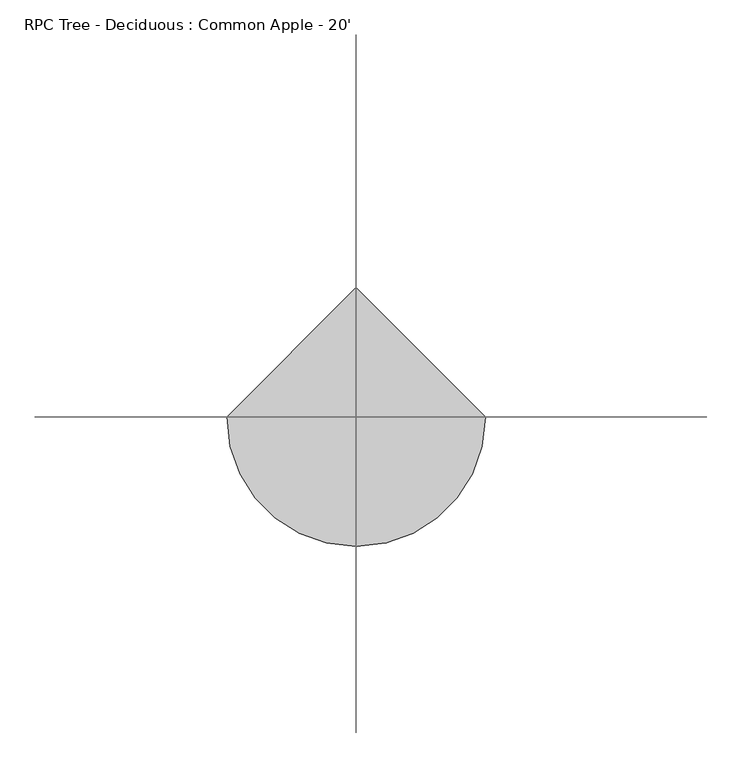
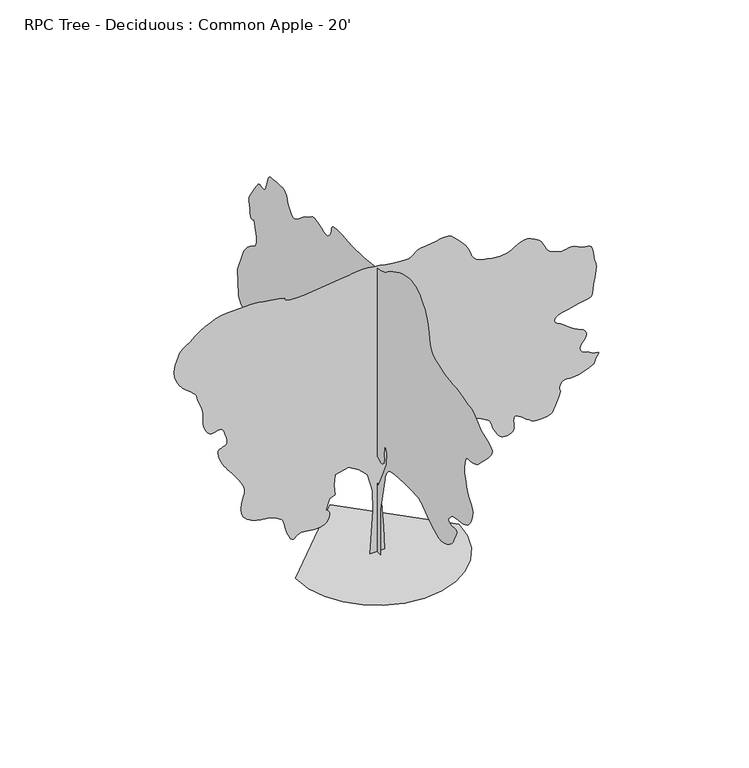
"""IFC4 building model written with IfcOpenShell, lengths in millimetres: geographic element geometry, RPC Tree - Deciduous : Common Apple - 20'."""

from ifc_helpers import new_model, si_unit, origin, place, context, project, spatial, triangles, source, transform, mapped, element, save


def rpc_tree_deciduous_common_apple_20_2cf08d23(model_context):
    return source(origin(), model_context, "Body", "Tessellation", [
        triangles([(-6.61e-05, -106.7031981, 0.0075972), (-6.25e-05, 141.1357166, 0.0075898), (-4.92e-05, 101.4814601, 465.9455781), (-3.19e-05, 131.2220957, 1031.0173004), (-1.83e-05, 230.3576144, 1437.4734501), (-8.7e-06, 398.8869896, 1675.3980263), (-1.1e-06, 587.2459139, 1834.016106), (2.7e-06, 765.6887283, 1873.6680462), (3.6e-06, 963.961219, 1804.2751888), (1.5e-06, 1023.4430534, 1705.1389435), (-4.1e-06, 904.4794573, 1576.2617809), (-8.5e-06, 944.1340136, 1407.7326782), (-1.46e-05, 1172.144878, 1090.4990622), (-1.49e-05, 1568.687534, 882.3128597), (-8.7e-06, 2143.6727863, 803.006436), (7.7e-06, 2490.6473923, 1179.7191977), (2.57e-05, 2847.5453751, 1606.0026981), (3.25e-05, 3402.6882339, 1556.4345028), (3.9e-05, 3600.9610153, 1675.3980263), (4.6e-05, 3591.0549339, 1913.3226025), (4.57e-05, 3412.6196045, 1992.6315697), (5.03e-05, 3283.7399712, 2210.7288677), (5.51e-05, 3591.0549339, 2220.6425068), (6.07e-05, 4205.6845688, 2101.6814541), (6.29e-05, 4275.3567696, 2137.8384041), (6.49e-05, 4342.3114037, 2174.2544952), (6.7e-05, 4403.9061905, 2211.1911942), (6.89e-05, 4457.4241447, 2248.9101128), (7.07e-05, 4500.1976967, 2287.6680668), (7.23e-05, 4529.5348595, 2327.7263775), (7.37e-05, 4542.7427742, 2369.3469475), (8.93e-05, 4572.4863075, 2874.9268433), (9.94e-05, 4403.9570595, 3301.215358), (0.0001002, 4386.5834106, 3334.8449913), (0.000101, 4360.9041641, 3374.6975006), (0.0001018, 4328.265168, 3418.5378479), (0.0001026, 4290.0887192, 3464.105706), (0.0001033, 4247.7471176, 3509.1651649), (0.0001039, 4202.636499, 3551.4561882), (0.0001043, 4156.1291634, 3588.718158), (0.0001045, 4111.323468, 3617.9027138), (0.0001046, 4070.8611122, 3640.1530998), (0.0001046, 4035.4281006, 3659.4571541), (0.0001048, 4005.7101471, 3679.8024239), (0.0001052, 3982.4182549, 3705.2026176), (0.000106, 3966.2384285, 3739.5941231), (0.0001073, 3957.8566727, 3786.9906487), (0.0001089, 3956.7898773, 3842.7945099), (0.0001107, 3961.4378494, 3899.6395866), (0.0001126, 3970.8614021, 3957.3738533), (0.0001145, 3984.0948967, 4015.7685448), (0.0001165, 4000.1982742, 4074.6966339), (0.0001185, 4018.2070587, 4133.9802246), (0.0001206, 4037.1553207, 4193.4417114), (0.0001203, 4062.5299347, 4172.9947037), (0.0001202, 4087.2188347, 4157.4244331), (0.0001204, 4110.5107269, 4151.5570587), (0.000121, 4131.7196068, 4160.2693176), (0.0001221, 4150.160051, 4188.3870781), (0.0001239, 4165.1460548, 4240.787368), (0.0001265, 4175.9410355, 4322.3213448), (0.000129, 4186.6092796, 4402.5600517), (0.0001308, 4198.1408432, 4455.5698975), (0.000132, 4205.3543564, 4492.9588943), (0.000133, 4202.9922913, 4526.3597626), (0.0001339, 4185.923275, 4567.406385), (0.0001352, 4148.8900703, 4627.7059021), (0.000137, 4086.736306, 4718.8666168), (0.0001389, 4019.8834099, 4816.9867905), (0.0001404, 3969.4896835, 4892.043837), (0.0001414, 3931.4405525, 4946.4759796), (0.0001421, 3901.5194138, 4982.6714447), (0.0001423, 3875.5858223, 5003.1184525), (0.0001421, 3849.5002052, 5010.2046478), (0.0001416, 3819.0709579, 5006.343837), (0.0001408, 3787.3208611, 4996.7176804), (0.0001401, 3759.4062859, 4987.6240494), (0.0001396, 3734.2601463, 4983.2045517), (0.0001394, 3710.841227, 4987.6240494), (0.0001396, 3688.1338921, 5005.0485672), (0.0001402, 3665.0704742, 5039.6435486), (0.0001416, 3640.6103394, 5095.574437), (0.0001432, 3619.2235634, 5160.9030075), (0.0001447, 3603.043737, 5219.9581238), (0.000146, 3587.5496246, 5271.4183548), (0.000147, 3568.2455704, 5313.8366959), (0.0001475, 3540.6103386, 5345.8661362), (0.0001475, 3500.1482735, 5366.109668), (0.0001469, 3442.3378487, 5373.1458664), (0.0001459, 3372.4368828, 5376.2445145), (0.0001451, 3300.6055115, 5383.3312912), (0.0001442, 3229.8412262, 5391.1034912), (0.0001434, 3163.0391991, 5396.2851517), (0.0001425, 3103.1713417, 5395.5485687), (0.0001414, 3053.2095657, 5385.642778), (0.0001402, 3016.0746231, 5363.2394943), (0.0001391, 2991.8429626, 5337.2044556), (0.0001382, 2976.4758774, 5316.3510773), (0.0001375, 2966.6462448, 5297.4283951), (0.0001368, 2959.0769394, 5277.1081238), (0.0001359, 2950.4664185, 5252.1148819), (0.0001348, 2937.5122673, 5219.1198029), (0.0001331, 2916.9382324, 5174.873085), (0.0001313, 2890.1666107, 5126.1051315), (0.0001296, 2860.6265533, 5083.2042618), (0.000128, 2827.9619774, 5048.4569641), (0.0001268, 2791.8432518, 5024.124147), (0.0001258, 2751.8890045, 5012.4399765), (0.0001253, 2707.794603, 5015.6909409), (0.0001252, 2659.1789658, 5036.0873703), (0.0001254, 2610.791803, 5068.0662323), (0.0001258, 2565.8846603, 5103.6768494), (0.0001263, 2521.8332794, 5141.7006912), (0.0001267, 2476.0523529, 5180.9436447), (0.0001272, 2425.9356445, 5220.212178), (0.0001274, 2368.8821503, 5258.2360199), (0.0001275, 2302.2908661, 5293.846637), (0.0001276, 2240.2945049, 5328.4671982), (0.0001279, 2193.5584042, 5362.0459625), (0.0001282, 2154.2798424, 5391.129071), (0.0001282, 2114.6558075, 5412.2365036), (0.0001278, 2066.8783459, 5421.8882401), (0.0001267, 2003.1496777, 5416.6304214), (0.0001247, 1915.6618492, 5392.9830276), (0.0001224, 1826.1497257, 5361.2837997), (0.0001207, 1757.9710384, 5335.9853439), (0.0001194, 1705.7434124, 5319.8816757), (0.0001187, 1664.0950825, 5315.7418121), (0.0001184, 1627.6484699, 5326.358606), (0.0001187, 1591.0293388, 5354.4766571), (0.0001195, 1548.8602558, 5402.8893997), (0.0001207, 1514.8419834, 5459.7853455), (0.000122, 1498.8602554, 5510.7630478), (0.0001232, 1489.8128426, 5554.806871), (0.0001241, 1476.6047825, 5590.874437), (0.0001244, 1448.1338459, 5617.9256927), (0.0001241, 1393.3079773, 5634.9182602), (0.0001229, 1301.0220406, 5640.8109238), (0.0001214, 1201.3955635, 5639.6935501), (0.0001202, 1126.7398006, 5636.6454803), (0.0001192, 1069.2519579, 5632.2259827), (0.0001184, 1021.1290958, 5626.9425842), (0.0001175, 974.5682751, 5621.3039749), (0.0001165, 921.7642307, 5615.8426804), (0.0001154, 854.9113346, 5611.0679718), (0.0001143, 784.7082069, 5608.019902), (0.0001133, 723.0014357, 5607.2071609), (0.0001125, 663.7228592, 5608.4768509), (0.0001116, 600.8019178, 5611.6516571), (0.0001107, 528.1680156, 5616.5792633), (0.0001096, 439.7556433, 5623.0567749), (0.0001082, 329.4941322, 5630.9051331), (0.0001067, 206.9466705, 5641.7254028), (0.0001053, 88.3885184, 5656.6861176), (0.0001042, -22.1921751, 5675.1262711), (0.0001034, -120.8075788, 5696.3354416), (0.0001029, -203.4686488, 5719.6276245), (0.0001027, -266.1871316, 5744.3162338), (0.0001028, -304.9729546, 5769.6908478), (0.0001032, -347.9523442, 5804.4381454), (0.0001036, -420.583703, 5853.4089935), (0.0001039, -514.8939712, 5910.1532043), (0.000104, -622.9024584, 5968.31884), (0.0001039, -736.6335978, 6021.4301331), (0.0001035, -848.1092062, 6063.1118912), (0.0001027, -949.3562239, 6086.9371811), (0.0001016, -1039.2697763, 6095.8017563), (0.0001004, -1122.4243664, 6096.0046509), (9.9e-05, -1199.3330441, 6086.1494385), (9.73e-05, -1270.5191059, 6064.8391113), (9.53e-05, -1336.5033051, 6030.7016602), (9.29e-05, -1397.8062492, 5982.3650757), (9.01e-05, -1454.9462208, 5918.407933), (8.77e-05, -1502.3755932, 5861.1056168), (8.62e-05, -1536.9730453, 5825.4944183), (8.5e-05, -1562.8963177, 5799.256485), (8.38e-05, -1584.313615, 5770.0716385), (8.22e-05, -1605.3828232, 5725.6220261), (7.96e-05, -1630.2698215, 5653.5874695), (7.58e-05, -1663.1323505, 5541.6751144), (7.16e-05, -1693.8258259, 5415.6147858), (6.81e-05, -1715.6747829, 5307.5626602), (6.5e-05, -1738.0446384, 5214.9799393), (6.21e-05, -1770.3000824, 5135.1981812), (5.93e-05, -1821.8062408, 5065.6530075), (5.62e-05, -1901.9230076, 5003.7532974), (5.28e-05, -2020.0178341, 4946.8823502), (4.95e-05, -2152.913356, 4902.7117905), (4.69e-05, -2273.494804, 4876.3974083), (4.48e-05, -2385.2295536, 4861.5384315), (4.29e-05, -2491.5921021, 4851.7340881), (4.1e-05, -2596.0345642, 4840.5071571), (3.89e-05, -2702.0542557, 4821.482737), (3.62e-05, -2813.1030006, 4788.2594742), (3.39e-05, -2912.3155495, 4758.5159409), (3.24e-05, -2986.585144, 4746.9843773), (3.14e-05, -3044.8780975, 4742.742485), (3.04e-05, -3096.2371719, 4734.8432579), (2.89e-05, -3149.6786774, 4712.3896866), (2.66e-05, -3214.2200867, 4664.4344742), (2.28e-05, -3298.878582, 4580.0809021), (1.85e-05, -3408.6320572, 4492.8062874), (1.5e-05, -3530.0185432, 4434.3354378), (1.2e-05, -3644.3188339, 4390.95233), (9.4e-06, -3732.7616913, 4348.9659393), (7.2e-06, -3776.6273277, 4294.6608238), (5.1e-06, -3757.196537, 4214.3459587), (3e-06, -3655.7486595, 4094.3056114), (1.1e-06, -3529.027906, 3968.7786804), (-3e-07, -3439.3912262, 3876.7287758), (-1.3e-06, -3376.6531952, 3811.5525215), (-1.9e-06, -3330.5522301, 3766.670668), (-2.3e-06, -3290.852037, 3735.479258), (-2.3e-06, -3247.3671913, 3711.4002045), (-2.2e-06, -3189.8108208, 3687.854258), (-1.7e-06, -3124.3802216, 3671.1919029), (-1e-06, -3064.487075, 3666.3404549), (-2e-07, -3010.8420937, 3664.4356293), (2e-07, -2964.1568619, 3656.6378494), (2e-07, -2925.0662247, 3634.0825401), (-8e-07, -2894.3070557, 3587.9559952), (-2.8e-06, -2872.5897766, 3509.3939301), (-5.1e-06, -2860.8041588, 3423.8465355), (-7.1e-06, -2858.3659355, 3357.9081184), (-8.8e-06, -2863.7507813, 3304.4410332), (-1.04e-05, -2875.358503, 3256.3335045), (-1.21e-05, -2891.6653564, 3206.498465), (-1.41e-05, -2911.070858, 3147.8244301), (-1.67e-05, -2932.0768433, 3073.199334), (-1.95e-05, -2961.2613991, 2993.8242371), (-2.22e-05, -3001.7234642, 2923.6186386), (-2.47e-05, -3046.5291595, 2859.6612053), (-2.72e-05, -3088.7187355, 2798.9806068), (-2.95e-05, -3121.3830208, 2738.6555099), (-3.16e-05, -3137.5628471, 2675.7398735), (-3.35e-05, -3130.349334, 2607.2612045), (-3.52e-05, -3109.3942177, 2540.281572), (-3.66e-05, -3087.7280983, 2482.819091), (-3.77e-05, -3063.4964378, 2433.5098915), (-3.85e-05, -3034.7182526, 2390.964814), (-3.91e-05, -2999.5645844, 2353.7970245), (-3.94e-05, -2956.0544495, 2320.6169277), (-3.96e-05, -2902.3333099, 2290.0378349), (-3.93e-05, -2836.3948929, 2266.2507694), (-3.86e-05, -2760.9314758, 2251.4832115), (-3.77e-05, -2680.9721123, 2241.3942924), (-3.68e-05, -2601.4955681, 2231.6559334), (-3.61e-05, -2527.6041481, 2217.9272655), (-3.58e-05, -2464.279525, 2195.8749779), (-3.62e-05, -2416.56049, 2161.1632885), (-3.68e-05, -2383.2356346, 2123.2410393), (-3.73e-05, -2359.9691769, 2093.2995529), (-3.79e-05, -2347.1065899, 2069.598674), (-3.84e-05, -2344.9984337, 2050.4090023), (-3.9e-05, -2353.9875652, 2033.9929985), (-3.98e-05, -2374.4217831, 2018.6158848), (-4.07e-05, -2406.646851, 2002.5452087), (-4.16e-05, -2449.8269188, 1993.9041664), (-4.23e-05, -2498.3841293, 1996.5330757), (-4.28e-05, -2545.5646797, 2002.2862129), (-4.34e-05, -2584.5791588, 2003.0075352), (-4.41e-05, -2608.6837921, 1990.5513187), (-4.52e-05, -2611.0967262, 1956.7642822), (-4.66e-05, -2585.0869766, 1893.4953243), (-4.83e-05, -2549.9080193, 1821.1814243), (-4.96e-05, -2524.6272949, 1762.91376), (-5.07e-05, -2502.1126808, 1714.5318295), (-5.16e-05, -2475.2625755, 1671.8725147), (-5.23e-05, -2436.9668026, 1630.7726978), (-5.27e-05, -2380.1140228, 1587.0720222), (-5.3e-05, -2297.5969666, 1536.6072247), (-5.28e-05, -2203.8378639, 1496.8968578), (-5.19e-05, -2116.842738, 1484.7582092), (-5.03e-05, -2034.8743401, 1494.9892708), (-4.83e-05, -1956.2028339, 1522.3883251), (-4.6e-05, -1879.090971, 1561.7532188), (-4.35e-05, -1801.803828, 1607.8822346), (-4.09e-05, -1722.6115688, 1655.5707481), (-3.83e-05, -1647.9584221, 1703.6352562), (-3.59e-05, -1583.013113, 1752.3931812), (-3.37e-05, -1524.1383636, 1798.8980461), (-3.16e-05, -1467.6919544, 1840.2010483), (-2.97e-05, -1410.0313751, 1873.3506237), (-2.82e-05, -1347.5167316, 1895.4053822), (-2.69e-05, -1276.503479, 1903.4089634), (-2.54e-05, -1177.6846561, 1904.2776604), (-2.33e-05, -1044.3574018, 1905.4916851), (-2.11e-05, -891.7820492, 1904.9710773), (-1.89e-05, -735.2163151, 1900.6352955), (-1.7e-05, -589.9230761, 1890.4040886), (-1.58e-05, -471.1627742, 1872.1948803), (-1.55e-05, -394.1956335, 1843.9297451), (-1.6e-05, -348.7041879, 1805.3140789), (-1.68e-05, -313.0958962, 1758.377409), (-1.8e-05, -285.7248199, 1704.5039532), (-1.95e-05, -264.9450744, 1645.0805454), (-2.11e-05, -249.1058704, 1581.494165), (-2.29e-05, -236.5620685, 1515.1341167), (-2.48e-05, -225.6659676, 1447.3870892), (-3.91e-05, -116.6168281, 912.0537769), (-2.05e-05, -27.3946828, 1318.5099266), (-1.32e-05, -176.0980811, 1635.74347), (-6.6e-06, -304.975498, 1923.2362415), (2e-07, -324.8002327, 2161.1632885), (4.8e-06, -255.4073572, 2280.1241959), (-4e-07, -225.6657133, 2091.767815), (-1.7e-06, -231.7353101, 2049.4539734), (-3e-06, -235.984215, 2008.1814926), (-4.2e-06, -236.5910275, 1968.9892628), (-5.2e-06, -231.7353101, 1932.9186447), (-6e-06, -219.5961346, 1901.0111446), (-6.5e-06, -198.3530817, 1874.3056526), (-6.6e-06, -166.1844602, 1853.8433842), (-6.2e-06, -129.2182845, 1848.5829494), (-5.3e-06, -95.0268123, 1860.3152275), (-4.3e-06, -63.9562343, 1879.3348515), (-3.4e-06, -36.354542, 1895.9235191), (-2.9e-06, -12.5678035, 1900.3761543), (-3.1e-06, 7.0569383, 1882.9772163), (-4.4e-06, 22.1729471, 1834.016106), (-6.1e-06, 32.8958209, 1768.9260384), (-7.8e-06, 39.9768386, 1709.0403042), (-9.4e-06, 44.0233167, 1653.4904972), (-1.1e-05, 45.6418044, 1601.4077751), (-1.24e-05, 45.4396183, 1551.9260571), (-1.39e-05, 44.0233167, 1504.1789715), (-1.53e-05, 41.9999482, 1457.3007282), (139.590126, 0.0003305, 0.0), (-135.4471285, 0.0003387, 0.0), (-74.3278259, 0.000241, 845.4879272), (-84.5142454, 0.0002472, 1242.76455), (-186.3807747, 0.0002013, 1599.294532), (-339.1791879, 0.0002082, 1752.0933449), (-542.9102117, 0.000216, 1874.3335579), (-797.5758808, 0.0002227, 1813.2134514), (-817.9492012, 0.0002203, 1609.4824276), (-797.5758808, 0.0002168, 1415.9368286), (-899.4426281, 0.0002191, 1365.0021469), (-970.7481594, 0.0002183, 1171.4565479), (-951.3247084, 0.0002718, 1158.1240768), (-933.2373676, 0.000271, 1143.3616058), (-917.8246456, 0.0002703, 1125.7517796), (-906.4200365, 0.0002696, 1103.8645981), (-900.3621214, 0.000269, 1076.2750757), (-900.9870106, 0.0002686, 1041.555756), (-909.6280529, 0.0002682, 998.2868128), (-928.5764603, 0.0002681, 955.1042742), (-957.6798437, 0.0002684, 921.0098436), (-994.6267164, 0.0002692, 895.1144766), (-1037.0955631, 0.0002701, 876.5217161), (-1082.7698101, 0.0002713, 864.3449158), (-1129.3382612, 0.0002726, 857.6926329), (-1174.4791832, 0.0002739, 855.6733521), (-1218.6700905, 0.0002753, 858.4063974), (-1263.5747623, 0.0002767, 865.0586803), (-1308.6573303, 0.0002782, 873.3161705), (-1353.3816353, 0.0002796, 880.857498), (-1397.217041, 0.000281, 885.3710306), (-1439.6273884, 0.0002823, 884.5404854), (-1480.0769543, 0.0002833, 876.0466724), (-1514.854628, 0.0002841, 857.900905), (-1542.5051205, 0.0002846, 834.4084436), (-1565.8782578, 0.000285, 812.6990856), (-1587.8238659, 0.0002854, 799.9000122), (-1611.1970032, 0.0002862, 803.1359339), (-1638.8473503, 0.0002874, 829.5392641), (-1673.6225533, 0.000235, 886.2346407), (-1706.6171963, 0.0002371, 959.4984827), (-1729.2790398, 0.0002388, 1029.5593225), (-1744.988982, 0.0002402, 1094.4487484), (-1757.1353336, 0.0002415, 1152.2135365), (-1769.1037891, 0.0002426, 1200.8900711), (-1784.2803337, 0.0002436, 1238.5177162), (-1806.0481911, 0.0002446, 1263.1378704), (-1833.1626698, 0.0002457, 1282.7670502), (-1863.3073414, 0.0002469, 1305.4288937), (-1898.2629112, 0.0002483, 1329.1576778), (-1939.8122646, 0.0002499, 1351.9948013), (-1989.7334908, 0.0002517, 1371.9820988), (-2049.8147072, 0.0002537, 1387.1586433), (-2121.8338577, 0.000256, 1395.5635082), (-2205.4938675, 0.0002044, 1404.6210949), (-2294.67854, 0.0002073, 1424.3695988), (-2382.4381542, 0.0002104, 1456.7724174), (-2461.8232796, 0.0002135, 1503.7853909), (-2525.8821602, 0.0002163, 1567.3691551), (-2567.6627495, 0.0002188, 1649.4849277), (-2580.2355286, 0.0002207, 1752.0933449), (-2568.9835991, 0.0002218, 1851.4048702), (-2548.8159348, 0.0002224, 1927.9097935), (-2527.0379036, 0.0002227, 1989.979842), (-2510.9723145, 0.0001688, 2045.9893593), (-2507.9117455, 0.0001695, 2104.3180664), (-2525.1659248, 0.0001711, 2173.3375454), (-2570.0503944, 0.0001737, 2261.4222851), (-2629.7912247, 0.0001769, 2355.7756828), (-2686.3316689, 0.0001798, 2438.7243988), (-2738.9604332, 0.0001825, 2511.3356644), (-2786.9665146, 0.0001849, 2574.6730774), (-2829.6130394, 0.0001327, 2629.841803), (-2866.1890045, 0.0001345, 2677.8478844), (-2896.008696, 0.000136, 2719.8086952), (-2924.6092758, 0.0001376, 2767.4084061), (-2955.1652596, 0.0001394, 2827.2762634), (-2983.4100471, 0.0001412, 2893.0114952), (-3005.0764572, 0.0001428, 2958.2389091), (-3015.8461487, 0.000144, 3016.5062828), (-3011.4772293, 0.0001446, 3061.4137161), (-2987.7028084, 0.0001442, 3086.5342758), (-2951.4823448, 0.0001433, 3098.8532913), (-2915.109565, 0.0001425, 3111.5533882), (-2882.1147766, 0.0001417, 3127.4282913), (-2856.0800285, 0.0001413, 3149.3740448), (-2840.5350471, 0.0001413, 3180.2349518), (-2839.0871704, 0.0001418, 3222.8561874), (-2855.2669968, 0.0001432, 3280.0823456), (-2877.0348541, 9.05e-05, 3338.9342766), (-2892.2240433, 9.16e-05, 3385.5177704), (-2904.1875572, 9.25e-05, 3421.2048363), (-2916.3286766, 9.32e-05, 3447.4686401), (-2932.0259743, 9.4e-05, 3465.705899), (-2954.70802, 9.48e-05, 3477.3389099), (-2987.7028084, 9.59e-05, 3483.8161308), (-3026.4123642, 9.7e-05, 3481.8857254), (-3064.2583099, 9.8e-05, 3472.1066711), (-3101.5455688, 9.9e-05, 3461.6419029), (-3138.6805115, 0.0001, 3457.552327), (-3175.9930595, 0.0001013, 3467.026458), (-3213.8137161, 0.0001029, 3497.1763618), (-3252.5488518, 0.0001049, 3555.1138138), (-3281.1747208, 0.0001068, 3626.7419998), (-3293.239682, 0.0001082, 3695.3474052), (-3295.8558014, 0.0001093, 3764.1307068), (-3296.1351448, 0.0001104, 3836.3175797), (-3301.2406471, 5.74e-05, 3915.0575409), (-3318.2840836, 5.93e-05, 4003.6274254), (-3354.4028091, 6.19e-05, 4105.2020393), (-3391.2836975, 6.43e-05, 4197.0231789), (-3411.2481766, 6.59e-05, 4259.8120789), (-3422.2972115, 6.68e-05, 4301.925206), (-3432.4570564, 6.76e-05, 4331.7448975), (-3449.7545471, 6.85e-05, 4357.6276199), (-3482.1650688, 6.99e-05, 4387.9804184), (-3537.7657448, 7.22e-05, 4431.1606316), (-3609.6985634, 2.09e-05, 4488.5646858), (-3681.631382, 2.41e-05, 4556.1285851), (-3747.3157448, 2.72e-05, 4634.0305161), (-3800.5287758, 3.01e-05, 4722.4480843), (-3835.047599, 3.26e-05, 4821.5588951), (-3844.6231773, 3.45e-05, 4931.5152649), (-3822.9823471, 3.57e-05, 5052.5468307), (-3789.555899, -1.8e-05, 5157.9310959), (-3763.7749146, -1.77e-05, 5228.187854), (-3739.5941231, -1.77e-05, 5274.3902664), (-3710.9682541, -1.81e-05, 5307.5882401), (-3671.8270386, -1.88e-05, 5338.8555176), (-3616.1246246, -1.98e-05, 5379.1652664), (-3537.7657448, -2.13e-05, 5439.6429703), (-3445.4364967, -2.3e-05, 5511.6775269), (-3351.6849518, -2.48e-05, 5578.225209), (-3256.3079247, -2.67e-05, 5637.4326416), (-3159.1783882, -2.89e-05, 5687.5726044), (-3060.0675774, -3.12e-05, 5726.8155579), (-2958.8228851, -3.39e-05, 5753.4348633), (-2855.2669968, -3.68e-05, 5765.6015625), (-2376.4970924, -5.09e-05, 5775.7869873), (-2309.7356152, -5.29e-05, 5773.1197083), (-2232.8167637, -5.53e-05, 5765.6521408), (-2147.4320045, -3.8e-06, 5754.1458664), (-2055.2781818, -6.7e-06, 5739.4392059), (-1958.0469074, -9.9e-06, 5722.3449005), (-1857.4273224, -1.32e-05, 5703.6251129), (-1755.1159801, -1.65e-05, 5684.1181641), (-1751.9080364, -1.69e-05, 5664.6617935), (-1742.5530842, -1.75e-05, 5646.3739563), (-1720.9022255, -1.83e-05, 5630.3970245), (-1680.8107773, -1.97e-05, 5617.9001129), (-1616.1270802, -2.18e-05, 5610.0261749), (-1520.7042709, -2.46e-05, 5607.9437439), (-1388.3981026, -2.85e-05, 5612.8201904), (-614.2181774, -5.02e-05, 5704.4890137), (-538.3076946, -5.24e-05, 5711.4996323), (-472.1990845, 1e-07, 5721.8879517), (-409.4762778, -1.6e-06, 5732.8355392), (-343.7232419, -3.5e-06, 5741.4460602), (-268.5264692, -5.7e-06, 5744.8749207), (-177.4707081, -8.5e-06, 5740.3031067), (-64.1414019, -1.21e-05, 5724.8598633), (54.7118994, -1.59e-05, 5704.3111176), (159.4882483, -1.93e-05, 5686.4296509), (252.3260954, -2.23e-05, 5671.4183578), (335.3640864, -2.49e-05, 5659.4039749), (410.7386644, -2.73e-05, 5650.6155579), (480.5886887, -2.95e-05, 5645.205423), (547.0529457, -3.15e-05, 5643.3764648), (603.2428662, -3.3e-05, 5651.8346695), (646.0698669, -3.4e-05, 5673.6531052), (683.3697704, -3.47e-05, 5703.4983765), (722.9887184, -3.54e-05, 5736.0359253), (772.7625698, -3.64e-05, 5765.8806152), (840.5349592, -3.81e-05, 5787.6996323), (934.1441437, -4.07e-05, 5796.1828354), (1035.6832947, -4.37e-05, 5802.989978), (1124.0372766, -4.61e-05, 5818.3826431), (1202.2337391, -4.82e-05, 5834.6642075), (1273.3004768, -5.01e-05, 5844.1636276), (1340.2726971, -5.22e-05, 5839.2360214), (1406.173035, -5.46e-05, 5812.2103455), (1474.0342999, -3.2e-06, 5755.4161377), (1539.0152172, -6.2e-06, 5686.9627579), (1594.7301304, -8.7e-06, 5628.1366974), (1641.8903332, -1.09e-05, 5576.0666199), (1681.2120609, -1.28e-05, 5527.9335114), (1713.4041367, -1.44e-05, 5480.8671982), (1739.182505, -1.59e-05, 5431.9975067), (1759.2587505, -1.73e-05, 5378.5304214), (1777.3156425, -1.87e-05, 5324.8604416), (1798.9361252, -2e-05, 5277.2604401), (1827.6839344, -2.15e-05, 5235.5281036), (1867.1225155, 3.1e-05, 5199.4855362), (1920.8180752, 2.9e-05, 5169.0060013), (1992.3318787, 2.65e-05, 5143.8342819), (2085.229842, 2.34e-05, 5123.844223), (2181.6306438, 2.03e-05, 5109.4171967), (2262.7075264, 1.78e-05, 5100.6799393), (2330.5991673, 1.57e-05, 5097.123761), (2387.4419186, 1.4e-05, 5098.1905563), (2435.3767834, 1.27e-05, 5103.3722168), (2476.5374977, 1.16e-05, 5112.0844757), (2513.0678261, 1.07e-05, 5123.844223), (2552.2195061, 9.8e-06, 5144.4947067), (2599.1840813, 8.9e-06, 5175.4829315), (2653.1336952, 7.8e-06, 5209.6459625), (2713.1032906, 6.4e-06, 5239.9226028), (2778.2795448, 4.8e-06, 5259.1249191), (2847.697982, 2.7e-06, 5260.1661346), (2920.5196999, 2e-07, 5235.9094757), (2984.2992371, -2.2e-06, 5202.1528152), (3030.2478859, -4e-06, 5176.5747253), (3062.9883293, -5.3e-06, 5154.908606), (3087.1947006, -6.3e-06, 5132.9122742), (3107.4893921, -7.3e-06, 5106.2679703), (3128.4697975, -8.5e-06, 5070.73293), (3154.8094688, -1e-05, 5021.9905563), (3182.8510712, 4.27e-05, 4971.0890121), (3208.2256851, 4.13e-05, 4930.3473129), (3234.4639091, 4e-05, 4897.4289734), (3265.1724998, 3.87e-05, 4870.0475052), (3303.9076355, 3.72e-05, 4845.8667137), (3354.2252037, 3.53e-05, 4822.6004013), (3419.6808014, 3.3e-05, 4797.8859215), (3486.0258797, 3.08e-05, 4782.8237595), (3540.0769409, 2.92e-05, 4784.7032959), (3586.9909378, 2.8e-05, 4795.4729874), (3631.9489494, 2.68e-05, 4807.1571579), (3680.1326363, 2.55e-05, 4811.7036827), (3736.6730804, 2.36e-05, 4801.0863075), (3806.7519424, 2.1e-05, 4767.3299377), (3879.2181587, 1.84e-05, 4732.9890106), (3939.9240463, 1.63e-05, 4718.4346664), (3989.5811897, 1.48e-05, 4712.2626595), (4028.9003014, 1.35e-05, 4703.0678719), (4058.6185455, 1.22e-05, 4679.4204781), (4079.3957657, 6.51e-05, 4629.9412308), (4091.9941246, 6.34e-05, 4543.2253029), (4103.8306114, 6.18e-05, 4454.6301292), (4119.4261711, 6.04e-05, 4397.0481789), (4135.0217308, 5.94e-05, 4355.3161331), (4146.8835068, 5.84e-05, 4314.2950905), (4151.2268463, 5.74e-05, 4258.8467308), (4144.3688347, 5.64e-05, 4173.8330246), (4122.550399, 5.51e-05, 4044.0642014), (4100.096537, 0.000108, 3908.7329269), (4088.8698967, 0.0001069, 3812.0603394), (4081.3767494, 0.0001061, 3746.5791618), (4070.1501091, 0.0001058, 3704.7962471), (4047.6965378, 0.0001061, 3679.2184479), (4006.548468, 0.0001071, 3662.4034859), (3939.1874634, 0.0001089, 3646.8079262), (3844.4708611, 0.0001114, 3628.5706673), (3734.0822502, 0.0001144, 3608.1998177), (3619.7822502, 0.0001175, 3584.781189), (3513.3053192, 0.0001202, 3557.4761696), (3426.4373657, 0.0001224, 3525.3449913), (3370.9384277, 0.0001234, 3487.4990456), (3358.5429634, 0.0001231, 3443.0744316), (3371.5224037, 0.0001222, 3405.6092766), (3386.2799332, 0.0001214, 3384.1972115), (3405.8633308, 0.0001207, 3371.1669022), (3433.2700882, 0.0001197, 3358.8478867), (3471.5476936, 0.0001182, 3339.5694122), (3523.7447983, 0.0001162, 3305.6857246), (3592.8327324, 0.0001133, 3249.5260712), (3669.2870773, 0.0001101, 3189.9884262), (3740.381575, 0.0001074, 3147.3671906), (3804.5419029, 0.000105, 3116.150782), (3860.1425789, 0.0001572, 3090.8014572), (3905.55783, 0.0001555, 3065.8332138), (3939.2383324, 0.000154, 3035.6833099), (3959.558313, 0.0001528, 2994.8654526), (3960.2948959, 0.0001521, 2946.884951), (3941.8038734, 0.0001519, 2899.2852402), (3912.2635254, 0.0001521, 2852.3968231), (3879.8530037, 0.0001524, 2806.5752014), (3852.8020386, 0.0001525, 2762.1758766), (3839.2892006, 0.0001523, 2719.554641), (3847.5189308, 0.0001514, 2679.0672867), (3870.582058, 0.0001503, 2647.1645828), (3896.1598572, 0.0001492, 2627.2256836), (3924.2270393, 0.0001482, 2614.9319572), (3954.7830231, 0.0001472, 2606.0168037), (3987.8286804, 0.000146, 2596.2121696), (4023.3887192, 0.0001447, 2581.2517456), (4061.4378502, 0.0001432, 2556.842189), (4100.7569618, 0.0001417, 2534.5891869), (4137.7648773, 0.0001405, 2524.8203064), (4168.8798386, 0.0001395, 2521.2847664), (4190.5462486, 0.0001388, 2517.7515518), (4199.2329277, 0.0001384, 2507.9803459), (4191.3334099, 0.0001926, 2485.7375175), (4163.2918076, 0.0001928, 2444.7824593), (4135.3263634, 0.0001929, 2399.7888393), (4122.8550316, 0.0001928, 2366.7332989), (4115.1842789, 0.0001927, 2341.3408081), (4101.6461517, 0.0001927, 2319.3343025), (4071.521537, 0.0001933, 2296.4387524), (4014.1430626, 0.0001946, 2268.3717155), (3918.8166138, 0.0001969, 2230.8633945), (3811.1205711, 0.0001996, 2200.6297749), (3722.1443161, 0.0002021, 2191.0666958), (3649.3987564, 0.0002043, 2192.9081532), (3590.3436401, 0.0002062, 2196.8884335), (3542.540744, 0.0002075, 2193.7413872), (3503.4501068, 0.0002084, 2174.1985394), (3470.6079254, 0.0002087, 2128.9966473), (3451.2532928, 0.0002086, 2081.7474964), (3449.1702805, 0.0002083, 2055.3443115), (3456.7142967, 0.0002078, 2039.4564732), (3466.2137169, 0.0002073, 2023.7466763), (3470.0236588, 0.0002068, 1997.8792145), (3460.4480804, 0.0002064, 1951.5191082), (3429.8662262, 0.0002061, 1874.3335579), (3393.2393921, 0.0002059, 1787.376511), (3366.4171921, 0.0002057, 1717.5239433), (3342.9982727, 0.0002056, 1663.1755165), (3316.5315742, 0.0002058, 1622.7259506), (3280.6157433, 0.0002064, 1594.5725819), (3228.850589, 0.0002077, 1577.1101303), (3154.8094688, 0.0002098, 1568.7357868), (3080.6413216, 0.0002119, 1565.2609989), (3027.8349518, 0.0002135, 1564.6361824), (2989.0998161, 0.0002147, 1568.469088), (2957.146534, 0.0002158, 1578.3572926), (2924.6598541, 0.000217, 1595.9086922), (2884.3248161, 0.0002186, 1622.7259506), (2828.8511673, 0.0002209, 1660.4146385), (2768.830703, 0.0002233, 1702.4363468), (2719.1482704, 0.0002253, 1739.6499184), (2678.9146797, 0.000227, 1769.7336926), (2647.2154518, 0.0002282, 1790.3763279), (2623.1869766, 0.0002291, 1799.2561638), (2605.9403549, 0.0002295, 1794.0567719), (2594.5613983, 0.0002295, 1772.4668106), (2588.1350464, 0.0002293, 1744.7273701), (2585.6459541, 0.000229, 1721.445797), (2586.0014557, 0.0002287, 1700.833683), (2588.1350464, 0.0002283, 1681.1130844), (2591.00522, 0.0002279, 1660.5034412), (2593.494603, 0.0002275, 1637.219252), (2594.5613983, 0.0002271, 1609.4824276), (2593.1135216, 0.0002267, 1579.0989624), (2587.906572, 0.0002264, 1549.7873795), (2577.7211472, 0.0002263, 1522.6143288), (2561.2872665, 0.0002264, 1498.6468964), (2537.3884346, 0.0002268, 1478.9568192), (2504.7494385, 0.0002276, 1464.6108925), (2462.1331444, 0.0002288, 1456.6836147), (2418.7144283, 0.00023, 1454.9893867), (2382.9562912, 0.0002312, 1459.35569), (2352.5447754, 0.0002322, 1470.8491745), (2325.1635979, 0.0002333, 1490.5392517), (2298.4935688, 0.0002346, 1519.4951878), (2270.2207306, 0.000236, 1558.7865395), (2238.0288002, 0.0002377, 1609.4824276), (2208.2396301, 0.0002394, 1664.8392231), (2186.8274197, 0.0001866, 1716.8127949), (2170.9397266, 0.0001878, 1764.5088661), (2157.7241089, 0.0001888, 1807.0362122), (2144.3307404, 0.0001897, 1843.5054977), (2127.9070335, 0.0001907, 1873.0254982), (2105.6033077, 0.0001917, 1894.7068783), (2074.6583942, 0.0001929, 1913.6528149), (2035.1589157, 0.0001944, 1935.2732975), (1988.5319653, 0.0001961, 1959.1214058), (1936.2028919, 0.0001981, 1984.7525448), (1879.5964634, 0.0002001, 2011.717178), (1820.1400635, 0.0002023, 2039.5759426), (1759.2587505, 0.0002046, 2067.8791569), (1412.9141933, 0.0002149, 2067.8791569), (1219.3685944, 0.0002173, 1843.7721966), (1214.8270838, 0.000217, 1813.2134514), (1209.2136909, 0.0002167, 1782.6522354), (1201.4616205, 0.0002165, 1752.0933449), (1190.5040045, 0.0002164, 1721.5345997), (1175.2665625, 0.0002164, 1690.9733837), (1154.6874407, 0.0002165, 1660.4146385), (1127.6898153, 0.0002169, 1629.855748), (1103.6638836, 0.0002172, 1604.0163368), (1088.903956, 0.0002174, 1586.5538853), (1077.7076191, 0.0002175, 1575.8629681), (1064.3726046, 0.0002179, 1570.3384506), (1043.1966442, 0.0002185, 1568.3775238), (1008.4798679, 0.0002195, 1568.3775238), (954.5175367, 0.0002211, 1568.7357868), (886.9839409, 0.0002232, 1571.6161343), (817.1339167, 0.0002254, 1579.3072346), (747.6394667, 0.0002276, 1590.3841747), (681.1726662, 0.0002298, 1603.4220417), (620.41075, 0.0002318, 1616.9957771), (568.0206702, 0.0002335, 1629.6755264), (526.6821324, 0.0002349, 1640.0411728), (491.1627162, 0.0002361, 1650.5543392), (454.5739975, 0.0002374, 1664.275304), (417.0937271, 0.0002388, 1680.6684895), (378.9022719, 0.0002402, 1699.2003525), (340.1748393, 0.0001874, 1719.3350246), (301.0918324, 0.0001889, 1740.5414337), (261.828495, 0.0001904, 1762.2813858), (78.4708189, 0.0002443, 1375.1901878), (68.2843994, 0.0002402, 1079.7776962), (119.217278, 0.0002837, 458.3966929), (-1547.0796959, 1.1e-06, 0.0099807), (-1506.1805935, -354.4877738, 0.0099913), (-1389.6986046, -680.02964, 0.010001), (-1206.9607035, -967.2962626, 0.0100095), (-967.2962626, -1206.9607035, 0.0100167), (-680.02964, -1389.6986046, 0.0100221), (-354.4877738, -1506.1805935, 0.0100256), (6.76e-05, -1547.0796959, 0.0100268), (354.4877738, -1506.1805935, 0.0100256), (680.02964, -1389.6986046, 0.0100221), (967.2962626, -1206.9607035, 0.0100167), (1206.9607035, -967.2962626, 0.0100095), (1389.6986046, -680.02964, 0.010001), (1506.1805935, -354.4877738, 0.0099913), (1547.0796959, 0.0001258, 0.0099807), (-0.0002029, 1547.0796959, 0.0099346)], [[300, 1, 301], [299, 300, 301], [299, 301, 302], [298, 299, 302], [297, 298, 302], [296, 297, 302], [296, 302, 303], [295, 296, 303], [294, 295, 303], [293, 294, 303], [292, 293, 303], [1, 2, 3], [301, 1, 3], [301, 3, 4], [301, 4, 5], [327, 301, 5], [326, 327, 5], [326, 5, 6], [325, 326, 6], [324, 325, 6], [323, 324, 6], [322, 323, 6], [321, 322, 6], [320, 321, 6], [19, 20, 21], [18, 19, 21], [17, 18, 21], [17, 21, 22], [320, 6, 7], [319, 320, 7], [291, 292, 303], [291, 303, 304], [290, 291, 304], [261, 262, 263], [260, 261, 263], [260, 263, 264], [259, 260, 264], [259, 264, 265], [258, 259, 265], [10, 11, 12], [14, 15, 16], [258, 265, 266], [257, 258, 266], [205, 206, 207], [204, 205, 207], [204, 207, 208], [203, 204, 208], [203, 208, 209], [202, 203, 209], [202, 209, 210], [257, 266, 267], [10, 12, 13], [257, 267, 268], [257, 268, 269], [256, 257, 269], [256, 269, 270], [256, 270, 271], [255, 256, 271], [255, 271, 272], [255, 272, 273], [255, 273, 274], [255, 274, 275], [255, 275, 276], [255, 276, 277], [254, 255, 277], [254, 277, 278], [254, 278, 279], [254, 279, 280], [253, 254, 280], [253, 280, 281], [253, 281, 282], [289, 290, 304], [10, 13, 14], [10, 14, 16], [10, 16, 17], [10, 17, 22], [9, 10, 22], [201, 202, 210], [201, 210, 211], [201, 211, 212], [201, 212, 213], [201, 213, 214], [201, 214, 215], [201, 215, 216], [201, 216, 217], [201, 217, 218], [201, 218, 219], [200, 201, 219], [199, 200, 219], [198, 199, 219], [197, 198, 219], [196, 197, 219], [195, 196, 219], [194, 195, 219], [194, 219, 220], [193, 194, 220], [192, 193, 220], [191, 192, 220], [190, 191, 220], [189, 190, 220], [189, 220, 221], [188, 189, 221], [252, 253, 282], [252, 282, 283], [188, 221, 222], [187, 188, 222], [251, 252, 283], [187, 222, 223], [23, 24, 25], [318, 319, 7], [56, 57, 58], [56, 58, 59], [55, 56, 59], [55, 59, 60], [54, 55, 60], [54, 60, 61], [54, 61, 62], [23, 25, 26], [186, 187, 223], [23, 26, 27], [23, 27, 28], [23, 28, 29], [23, 29, 30], [23, 30, 31], [23, 31, 32], [23, 32, 33], [23, 33, 34], [23, 34, 35], [23, 35, 36], [23, 36, 37], [23, 37, 38], [23, 38, 39], [23, 39, 40], [23, 40, 41], [23, 41, 42], [23, 42, 43], [23, 43, 44], [22, 23, 44], [22, 44, 45], [9, 22, 45], [9, 45, 46], [9, 46, 47], [9, 47, 48], [8, 9, 48], [8, 48, 49], [8, 49, 50], [8, 50, 51], [8, 51, 52], [8, 52, 53], [8, 53, 54], [250, 251, 283], [250, 283, 284], [288, 289, 304], [288, 304, 305], [186, 223, 224], [287, 288, 305], [313, 314, 315], [312, 313, 315], [311, 312, 315], [310, 311, 315], [310, 315, 316], [309, 310, 316], [308, 309, 316], [308, 316, 317], [307, 308, 317], [306, 307, 317], [306, 317, 318], [305, 306, 318], [305, 318, 7], [305, 7, 8], [305, 8, 54], [305, 54, 62], [305, 62, 63], [305, 63, 64], [305, 64, 65], [305, 65, 66], [305, 66, 67], [305, 67, 68], [305, 68, 69], [305, 69, 70], [305, 70, 71], [305, 71, 72], [305, 72, 73], [305, 73, 74], [305, 74, 75], [305, 75, 76], [305, 76, 77], [305, 77, 78], [305, 78, 79], [305, 79, 80], [305, 80, 81], [305, 81, 82], [305, 82, 83], [305, 83, 84], [305, 84, 85], [305, 85, 86], [305, 86, 87], [305, 87, 88], [305, 88, 89], [305, 89, 90], [305, 90, 91], [305, 91, 92], [134, 135, 136], [134, 136, 137], [133, 134, 137], [133, 137, 138], [132, 133, 138], [132, 138, 139], [132, 139, 140], [131, 132, 140], [131, 140, 141], [131, 141, 142], [131, 142, 143], [130, 131, 143], [130, 143, 144], [130, 144, 145], [286, 287, 305], [186, 224, 225], [185, 186, 225], [249, 250, 284], [130, 145, 146], [285, 286, 305], [249, 284, 285], [249, 285, 305], [248, 249, 305], [234, 235, 236], [233, 234, 236], [233, 236, 237], [232, 233, 237], [232, 237, 238], [232, 238, 239], [232, 239, 240], [232, 240, 241], [232, 241, 242], [232, 242, 243], [232, 243, 244], [232, 244, 245], [231, 232, 245], [231, 245, 246], [231, 246, 247], [230, 231, 247], [230, 247, 248], [230, 248, 305], [229, 230, 305], [228, 229, 305], [227, 228, 305], [226, 227, 305], [225, 226, 305], [185, 225, 305], [184, 185, 305], [183, 184, 305], [182, 183, 305], [181, 182, 305], [180, 181, 305], [179, 180, 305], [178, 179, 305], [177, 178, 305], [176, 177, 305], [175, 176, 305], [174, 175, 305], [173, 174, 305], [172, 173, 305], [171, 172, 305], [170, 171, 305], [169, 170, 305], [168, 169, 305], [167, 168, 305], [166, 167, 305], [165, 166, 305], [164, 165, 305], [163, 164, 305], [162, 163, 305], [161, 162, 305], [160, 161, 305], [159, 160, 305], [158, 159, 305], [157, 158, 305], [156, 157, 305], [155, 156, 305], [154, 155, 305], [153, 154, 305], [152, 153, 305], [151, 152, 305], [150, 151, 305], [149, 150, 305], [148, 149, 305], [147, 148, 305], [146, 147, 305], [130, 146, 305], [129, 130, 305], [128, 129, 305], [127, 128, 305], [126, 127, 305], [125, 126, 305], [124, 125, 305], [123, 124, 305], [122, 123, 305], [121, 122, 305], [120, 121, 305], [119, 120, 305], [118, 119, 305], [117, 118, 305], [116, 117, 305], [115, 116, 305], [114, 115, 305], [113, 114, 305], [112, 113, 305], [111, 112, 305], [110, 111, 305], [109, 110, 305], [108, 109, 305], [107, 108, 305], [94, 95, 96], [94, 96, 97], [93, 94, 97], [93, 97, 98], [93, 98, 99], [93, 99, 100], [93, 100, 101], [92, 93, 101], [92, 101, 102], [92, 102, 103], [92, 103, 104], [92, 104, 105], [106, 107, 305], [106, 305, 92], [106, 92, 105], [328, 329, 330], [731, 328, 330], [730, 731, 330], [730, 330, 331], [729, 730, 331], [729, 331, 332], [728, 729, 332], [472, 473, 474], [336, 337, 338], [728, 332, 333], [618, 619, 620], [617, 618, 620], [617, 620, 621], [616, 617, 621], [615, 616, 621], [615, 621, 622], [614, 615, 622], [614, 622, 623], [472, 474, 475], [613, 614, 623], [612, 613, 623], [612, 623, 624], [612, 624, 625], [612, 625, 626], [612, 626, 627], [612, 627, 628], [611, 612, 628], [610, 611, 628], [610, 628, 629], [609, 610, 629], [609, 629, 630], [608, 609, 630], [608, 630, 631], [608, 631, 632], [607, 608, 632], [607, 632, 633], [606, 607, 633], [363, 364, 365], [363, 365, 366], [362, 363, 366], [362, 366, 367], [361, 362, 367], [361, 367, 368], [360, 361, 368], [360, 368, 369], [360, 369, 370], [359, 360, 370], [359, 370, 371], [358, 359, 371], [358, 371, 372], [407, 408, 409], [407, 409, 410], [406, 407, 410], [406, 410, 411], [405, 406, 411], [405, 411, 412], [404, 405, 412], [403, 404, 412], [403, 412, 413], [402, 403, 413], [401, 402, 413], [400, 401, 413], [399, 400, 413], [357, 358, 372], [606, 633, 634], [399, 413, 414], [398, 399, 414], [728, 333, 334], [357, 372, 373], [356, 357, 373], [562, 563, 564], [561, 562, 564], [561, 564, 565], [560, 561, 565], [559, 560, 565], [559, 565, 566], [397, 398, 414], [355, 356, 373], [354, 355, 373], [353, 354, 373], [352, 353, 373], [351, 352, 373], [350, 351, 373], [349, 350, 373], [348, 349, 373], [347, 348, 373], [346, 347, 373], [345, 346, 373], [344, 345, 373], [343, 344, 373], [342, 343, 373], [341, 342, 373], [340, 341, 373], [339, 340, 373], [338, 339, 373], [336, 338, 373], [336, 373, 374], [335, 336, 374], [335, 374, 375], [335, 375, 376], [335, 376, 377], [335, 377, 378], [335, 378, 379], [335, 379, 380], [576, 577, 578], [575, 576, 578], [575, 578, 579], [574, 575, 579], [574, 579, 580], [573, 574, 580], [573, 580, 581], [572, 573, 581], [572, 581, 582], [571, 572, 582], [570, 571, 582], [569, 570, 582], [568, 569, 582], [567, 568, 582], [566, 567, 582], [559, 566, 582], [558, 559, 582], [557, 558, 582], [556, 557, 582], [555, 556, 582], [554, 555, 582], [553, 554, 582], [552, 553, 582], [552, 582, 583], [551, 552, 583], [551, 583, 584], [550, 551, 584], [549, 550, 584], [549, 584, 585], [548, 549, 585], [547, 548, 585], [546, 547, 585], [599, 600, 601], [598, 599, 601], [598, 601, 602], [597, 598, 602], [597, 602, 603], [596, 597, 603], [596, 603, 604], [595, 596, 604], [595, 604, 605], [594, 595, 605], [594, 605, 606], [594, 606, 634], [593, 594, 634], [592, 593, 634], [591, 592, 634], [590, 591, 634], [589, 590, 634], [588, 589, 634], [588, 634, 635], [587, 588, 635], [587, 635, 636], [545, 546, 585], [335, 380, 381], [427, 428, 429], [426, 427, 429], [426, 429, 430], [425, 426, 430], [425, 430, 431], [424, 425, 431], [424, 431, 432], [424, 432, 433], [423, 424, 433], [423, 433, 434], [422, 423, 434], [422, 434, 435], [422, 435, 436], [421, 422, 436], [335, 381, 382], [335, 382, 383], [335, 383, 384], [335, 384, 385], [335, 385, 386], [335, 386, 387], [335, 387, 388], [335, 388, 389], [335, 389, 390], [335, 390, 391], [335, 391, 392], [335, 392, 393], [335, 393, 394], [335, 394, 395], [335, 395, 396], [335, 396, 397], [335, 397, 414], [335, 414, 415], [334, 335, 415], [334, 415, 416], [334, 416, 417], [334, 417, 418], [334, 418, 419], [334, 419, 420], [728, 334, 420], [638, 639, 640], [638, 640, 641], [638, 641, 642], [637, 638, 642], [545, 585, 586], [544, 545, 586], [728, 420, 421], [728, 421, 436], [728, 436, 437], [728, 437, 438], [728, 438, 439], [728, 439, 440], [728, 440, 441], [728, 441, 442], [709, 710, 711], [709, 711, 712], [708, 709, 712], [708, 712, 713], [707, 708, 713], [707, 713, 714], [706, 707, 714], [705, 706, 714], [704, 705, 714], [703, 704, 714], [702, 703, 714], [702, 714, 715], [701, 702, 715], [700, 701, 715], [700, 715, 716], [700, 716, 717], [700, 717, 718], [700, 718, 719], [700, 719, 720], [700, 720, 721], [700, 721, 722], [700, 722, 723], [700, 723, 724], [699, 700, 724], [699, 724, 725], [699, 725, 726], [699, 726, 727], [699, 727, 728], [699, 728, 442], [698, 699, 442], [543, 544, 586], [542, 543, 586], [541, 542, 586], [540, 541, 586], [539, 540, 586], [538, 539, 586], [537, 538, 586], [536, 537, 586], [535, 536, 586], [534, 535, 586], [533, 534, 586], [532, 533, 586], [531, 532, 586], [530, 531, 586], [529, 530, 586], [528, 529, 586], [527, 528, 586], [526, 527, 586], [525, 526, 586], [524, 525, 586], [523, 524, 586], [522, 523, 586], [521, 522, 586], [521, 586, 587], [521, 587, 636], [520, 521, 636], [520, 636, 637], [520, 637, 642], [520, 642, 643], [520, 643, 644], [520, 644, 645], [520, 645, 646], [520, 646, 647], [520, 647, 648], [520, 648, 649], [520, 649, 650], [520, 650, 651], [520, 651, 652], [520, 652, 653], [520, 653, 654], [520, 654, 655], [520, 655, 656], [520, 656, 657], [520, 657, 658], [520, 658, 659], [520, 659, 660], [520, 660, 661], [520, 661, 662], [520, 662, 663], [519, 520, 663], [519, 663, 664], [518, 519, 664], [698, 442, 443], [518, 664, 665], [506, 507, 508], [506, 508, 509], [505, 506, 509], [505, 509, 510], [504, 505, 510], [504, 510, 511], [503, 504, 511], [503, 511, 512], [503, 512, 513], [503, 513, 514], [503, 514, 515], [503, 515, 516], [503, 516, 517], [502, 503, 517], [502, 517, 518], [502, 518, 665], [501, 502, 665], [500, 501, 665], [499, 500, 665], [498, 499, 665], [497, 498, 665], [496, 497, 665], [495, 496, 665], [494, 495, 665], [493, 494, 665], [492, 493, 665], [491, 492, 665], [490, 491, 665], [489, 490, 665], [488, 489, 665], [487, 488, 665], [486, 487, 665], [485, 486, 665], [484, 485, 665], [483, 484, 665], [482, 483, 665], [481, 482, 665], [480, 481, 665], [479, 480, 665], [479, 665, 666], [478, 479, 666], [478, 666, 667], [478, 667, 668], [478, 668, 669], [478, 669, 670], [478, 670, 671], [478, 671, 672], [478, 672, 673], [478, 673, 674], [478, 674, 675], [477, 478, 675], [476, 477, 675], [471, 472, 475], [471, 475, 476], [449, 450, 451], [448, 449, 451], [447, 448, 451], [446, 447, 451], [446, 451, 452], [445, 446, 452], [444, 445, 452], [444, 452, 453], [444, 453, 454], [444, 454, 455], [444, 455, 456], [444, 456, 457], [444, 457, 458], [443, 444, 458], [698, 443, 458], [698, 458, 459], [698, 459, 460], [698, 460, 461], [698, 461, 462], [698, 462, 463], [698, 463, 464], [698, 464, 465], [698, 465, 466], [698, 466, 467], [698, 467, 468], [698, 468, 469], [698, 469, 470], [698, 470, 471], [698, 471, 476], [697, 698, 476], [696, 697, 476], [695, 696, 476], [694, 695, 476], [693, 694, 476], [692, 693, 476], [679, 680, 681], [678, 679, 681], [678, 681, 682], [677, 678, 682], [677, 682, 683], [676, 677, 683], [675, 676, 683], [675, 683, 684], [675, 684, 685], [675, 685, 686], [675, 686, 687], [675, 687, 688], [675, 688, 689], [675, 689, 690], [476, 675, 690], [476, 690, 691], [692, 476, 691], [746, 747, 732], [745, 746, 732], [745, 732, 733], [744, 745, 733], [744, 733, 734], [744, 734, 735], [743, 744, 735], [742, 743, 735], [742, 735, 736], [742, 736, 737], [742, 737, 738], [742, 738, 739], [742, 739, 740], [742, 740, 741]], closed=False),
    ])


if __name__ == "__main__":
    model = new_model("IFC4")
    model_context = context("Model", 3, world=origin())
    ifc_project = project(units=[si_unit("LENGTHUNIT", "METRE", prefix="MILLI")], contexts=[model_context])
    site = spatial("IfcSite", under=ifc_project)
    building = spatial("IfcBuilding", under=site)
    placement = place(None, origin())
    rpc_tree_deciduous_common_apple_20_shape = rpc_tree_deciduous_common_apple_20_2cf08d23(model_context)
    element("IfcGeographicElement", 1, ObjectType="RPC Tree - Deciduous : Common Apple - 20'", at=placement, inside=building, context=model_context, shape_type="MappedRepresentation", body=[
        mapped(rpc_tree_deciduous_common_apple_20_shape, transform((0.0, 0.0, 0.0), x_axis=(1.0, 0.0, 0.0), y_axis=(0.0, 1.0, 0.0), z_axis=(0.0, 0.0, 1.0))),
    ])
    save(model, "model.ifc")
